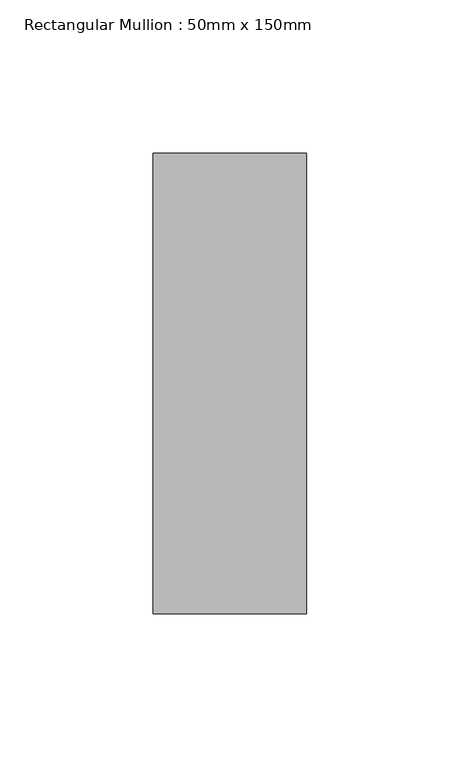
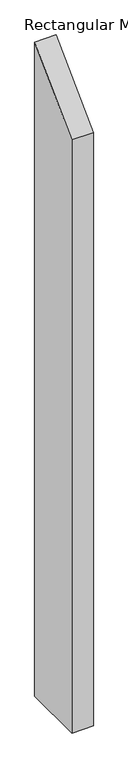
"""IFC4 building model written with IfcOpenShell, lengths in millimetres: member geometry, Rectangular Mullion : 50mm x 150mm."""

from ifc_helpers import new_model, si_unit, frame, origin, place, context, project, spatial, polyline, outline, extrude, source, transform, mapped, element, save


def rectangular_mullion_50mm_x_150mm_b5af6207(model_context):
    return source(origin(), model_context, "Body", "SweptSolid", [
        extrude(outline(polyline([(-75.0, -75.0), (75.0, 75.0), (75.0, -1535.0), (-75.0, -1535.0), (-75.0, -75.0)])), frame((-50.0, 0.0, 0.0), z_axis=(1.0, 0.0, 0.0), x_axis=(0.0, 1.0, 0.0)), (0.0, 0.0, 1.0), 50.0),
    ])


if __name__ == "__main__":
    model = new_model("IFC4")
    model_context = context("Model", 3, world=origin())
    ifc_project = project(units=[si_unit("LENGTHUNIT", "METRE", prefix="MILLI")], contexts=[model_context])
    site = spatial("IfcSite", under=ifc_project)
    building = spatial("IfcBuilding", under=site)
    placement = place(None, origin())
    rectangular_mullion_50mm_x_150mm_shape = rectangular_mullion_50mm_x_150mm_b5af6207(model_context)
    element("IfcMember", 1, ObjectType="Rectangular Mullion : 50mm x 150mm", at=placement, inside=building, context=model_context, shape_type="MappedRepresentation", body=[
        mapped(rectangular_mullion_50mm_x_150mm_shape, transform((0.0, 0.0, 0.0), x_axis=(1.0, 0.0, 0.0), y_axis=(0.0, 1.0, 0.0), z_axis=(0.0, 0.0, 1.0))),
    ])
    save(model, "model.ifc")
